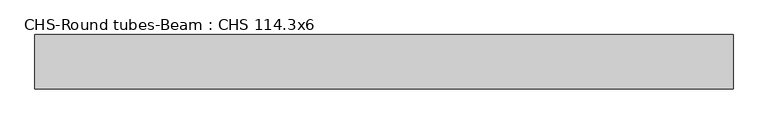
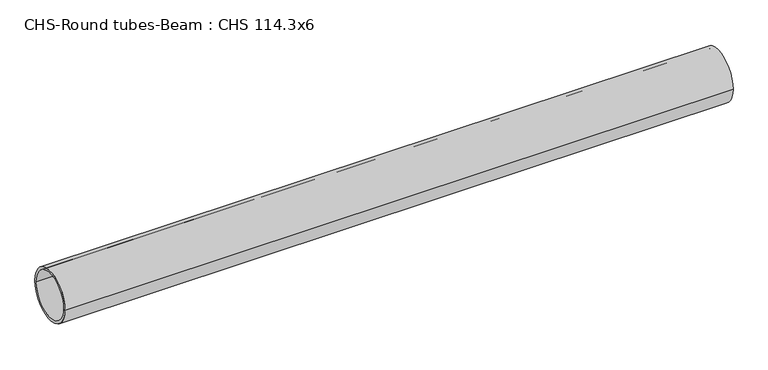
"""IFC4 building model written with IfcOpenShell, lengths in millimetres: beam geometry, CHS-Round tubes-Beam : CHS 114.3x6."""

from ifc_helpers import new_model, si_unit, point, frame, origin, origin_2d, place, context, project, spatial, circle_curve, trimmed, segment, composite_curve, outline, extrude, source, transform, mapped, element, save


def chs_round_tubes_beam_chs_114_3x6_822bef70(model_context):
    return source(origin(), model_context, "Body", "SweptSolid", [
        extrude(outline(composite_curve([segment(trimmed(circle_curve(origin_2d(), 57.15), [point((57.15, 0.0))], [point((-57.15, 0.0))], False, "CARTESIAN"), True, "CONTINUOUS"), segment(trimmed(circle_curve(origin_2d(), 57.15), [point((-57.15, 0.0))], [point((57.15, 0.0))], False, "CARTESIAN"), True, "CONTINUOUS")], self_intersect=False), holes=[composite_curve([segment(trimmed(circle_curve(origin_2d(), 51.15), [point((51.15, 0.0))], [point((-51.15, 0.0))], True, "CARTESIAN"), True, "CONTINUOUS"), segment(trimmed(circle_curve(origin_2d(), 51.15), [point((-51.15, 0.0))], [point((51.15, 0.0))], True, "CARTESIAN"), True, "CONTINUOUS")], self_intersect=False)]), frame((-703.0433541, 0.0, 0.0), z_axis=(1.0, 0.0, 0.0), x_axis=(0.0, 1.0, 0.0)), (0.0, 0.0, 1.0), 1469.4704188),
    ])


if __name__ == "__main__":
    model = new_model("IFC4")
    model_context = context("Model", 3, world=origin())
    ifc_project = project(units=[si_unit("LENGTHUNIT", "METRE", prefix="MILLI")], contexts=[model_context])
    site = spatial("IfcSite", under=ifc_project)
    building = spatial("IfcBuilding", under=site)
    placement = place(None, origin())
    chs_round_tubes_beam_chs_114_3x6_shape = chs_round_tubes_beam_chs_114_3x6_822bef70(model_context)
    element("IfcBeam", 1, ObjectType="CHS-Round tubes-Beam : CHS 114.3x6", at=placement, inside=building, context=model_context, shape_type="MappedRepresentation", body=[
        mapped(chs_round_tubes_beam_chs_114_3x6_shape, transform((0.0, 0.0, 0.0), x_axis=(1.0, 0.0, 0.0), y_axis=(0.0, 1.0, 0.0), z_axis=(0.0, 0.0, 1.0))),
    ])
    save(model, "model.ifc")
